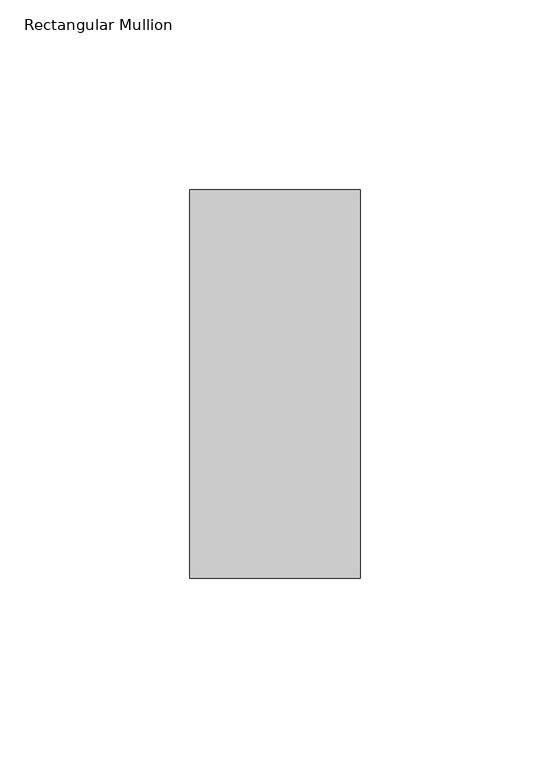
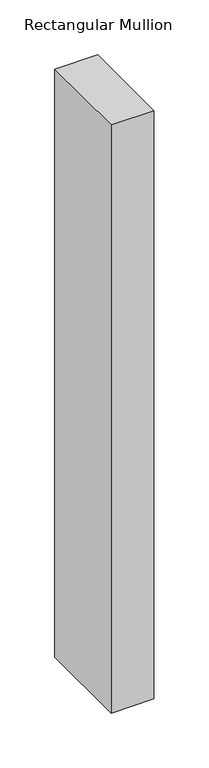
"""IFC4 building model written with IfcOpenShell, lengths in millimetres: member geometry, Rectangular Mullion."""

from ifc_helpers import new_model, si_unit, frame, origin, place, context, project, spatial, polyline, outline, extrude, source, transform, mapped, element, save


def rectangular_mullion_0b61c7fd(model_context):
    return source(origin(), model_context, "Body", "SweptSolid", [
        extrude(outline(polyline([(-45.0, 66.73125), (0.0, 66.73125), (0.0, -35.73125), (-45.0, -35.73125), (-45.0, 66.73125)])), frame((0.0, 0.0, -654.1158203), z_axis=(0.0, 0.0, 1.0), x_axis=(1.0, 0.0, 0.0)), (0.0, 0.0, 1.0), 654.1158203),
    ])


if __name__ == "__main__":
    model = new_model("IFC4")
    model_context = context("Model", 3, world=origin())
    ifc_project = project(units=[si_unit("LENGTHUNIT", "METRE", prefix="MILLI")], contexts=[model_context])
    site = spatial("IfcSite", under=ifc_project)
    building = spatial("IfcBuilding", under=site)
    placement = place(None, origin())
    rectangular_mullion_shape = rectangular_mullion_0b61c7fd(model_context)
    element("IfcMember", 1, ObjectType="Rectangular Mullion", at=placement, inside=building, context=model_context, shape_type="MappedRepresentation", body=[
        mapped(rectangular_mullion_shape, transform((0.0, 0.0, 0.0), x_axis=(1.0, 0.0, 0.0), y_axis=(0.0, 1.0, 0.0), z_axis=(0.0, 0.0, 1.0))),
    ])
    save(model, "model.ifc")
